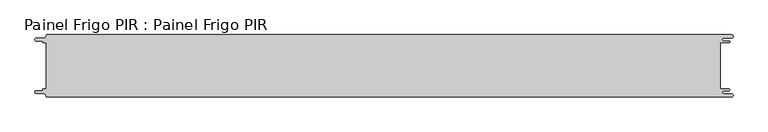
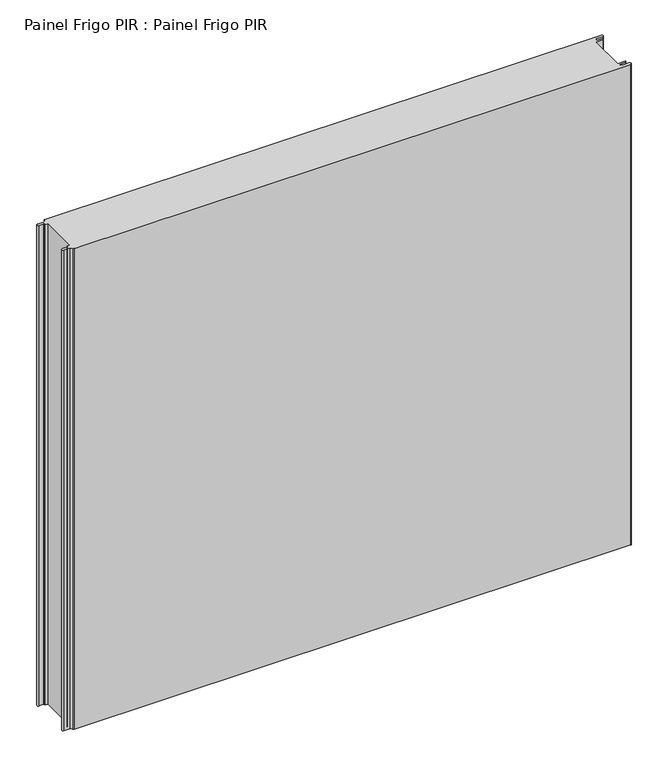
"""IFC4 building model written with IfcOpenShell, lengths in millimetres: proxy geometry, Painel Frigo PIR : Painel Frigo PIR."""

from ifc_helpers import new_model, si_unit, frame, origin, place, context, project, spatial, polyline, circle_curve, source, transform, mapped, element, save
from ifc_brep_helpers import plane_surface, cylinder_surface, revolved_surface, advanced_brep


def painel_frigo_pir_painel_frigo_pir_5bfc62d3(model_context):
    return source(origin(), model_context, "Body", "AdvancedBrep", [
        advanced_brep(
        [(-554.5874998, 37.3, 1000.0), (-549.2999612, 37.3, 1000.0), (-549.2999612, -37.2999995, 1000.0), (-554.5874998, -37.2999995, 1000.0), (-555.1875003, -37.9, 1000.0), (-555.1875003, -38.7085185, 1000.0), (-556.5875003, -40.1085185, 1000.0), (-565.565625, -40.1085185, 1000.0), (-565.565625, -44.5085185, 1000.0), (-553.55, -44.5085185, 1000.0), (-550.0, -48.0585185, 1000.0), (-548.05, -50.0, 1000.0), (546.89375, -50.0, 1000.0), (546.89375, -44.725, 1000.0), (534.45625, -44.725, 1000.0), (534.45625, -39.875, 1000.0), (543.1187503, -39.875, 1000.0), (543.1187503, -37.3, 1000.0), (529.2687503, -37.3, 1000.0), (529.2687503, 37.3, 1000.0), (543.1187503, 37.3, 1000.0), (543.1187503, 39.875, 1000.0), (534.45625, 39.875, 1000.0), (534.45625, 44.725, 1000.0), (546.89375, 44.725, 1000.0), (546.89375, 50.0, 1000.0), (-548.05, 50.0, 1000.0), (-550.0, 48.05, 1000.0), (-553.55, 44.5085185, 1000.0), (-565.565625, 44.5085185, 1000.0), (-565.565625, 40.1085187, 1000.0), (-556.5875001, 40.1085187, 1000.0), (-555.1874998, 38.7085184, 1000.0), (-555.1874998, 37.9, 1000.0), (-554.5874998, 37.3, 0.0), (-555.1874998, 37.9, 0.0), (-555.1874998, 38.7085184, 0.0), (-556.5875001, 40.1085187, 0.0), (-565.565625, 40.1085187, 0.0), (-565.565625, 44.5085185, 0.0), (-553.55, 44.5085185, 0.0), (-550.0, 48.0585185, 0.0), (-548.05, 50.0, 0.0), (546.89375, 50.0, 0.0), (546.89375, 44.725, 0.0), (534.45625, 44.725, 0.0), (534.45625, 39.875, 0.0), (543.1187503, 39.875, 0.0), (543.1187503, 37.3, 0.0), (529.2687503, 37.3, 0.0), (529.2687503, -37.3, 0.0), (543.1187503, -37.3, 0.0), (543.1187503, -39.875, 0.0), (534.45625, -39.875, 0.0), (534.45625, -44.725, 0.0), (546.89375, -44.725, 0.0), (546.89375, -50.0, 0.0), (-548.05, -50.0, 0.0), (-550.0, -48.05, 0.0), (-553.55, -44.5085185, 0.0), (-565.565625, -44.5085185, 0.0), (-565.565625, -40.1085185, 0.0), (-556.5875003, -40.1085185, 0.0), (-555.1875003, -38.7085185, 0.0), (-555.1875003, -37.9, 0.0), (-554.5874998, -37.2999995, 0.0), (-549.2999612, -37.2999995, 0.0), (-549.2999612, 37.3, 0.0)],
        [
            (0, 1),
            (1, 2),
            (2, 3),
            (3, 4, circle_curve(frame((-554.5874998, -37.9, 1000.0), z_axis=(0.0, 0.0, 1.0), x_axis=(1.0, 0.0, 0.0)), 0.6000005)),
            (4, 5),
            (5, 6, circle_curve(frame((-556.5875003, -38.7085185, 1000.0), z_axis=(0.0, 0.0, -1.0), x_axis=(1.0, 0.0, 0.0)), 1.4)),
            (6, 7),
            (7, 8, circle_curve(frame((-565.565625, -42.3085185, 1000.0), z_axis=(0.0, 0.0, 1.0), x_axis=(1.0, 0.0, 0.0)), 2.2)),
            (8, 9),
            (9, 10, circle_curve(frame((-553.55, -48.0585185, 1000.0), z_axis=(0.0, 0.0, -1.0), x_axis=(1.0, 0.0, 0.0)), 3.55)),
            (10, 11, circle_curve(frame((-548.05, -48.05, 1000.0), z_axis=(0.0, 0.0, 1.0), x_axis=(1.0, 0.0, 0.0)), 1.95)),
            (11, 12),
            (12, 13, circle_curve(frame((546.89375, -47.3625, 1000.0), z_axis=(0.0, 0.0, 1.0), x_axis=(1.0, 0.0, 0.0)), 2.6375)),
            (13, 14),
            (14, 15, circle_curve(frame((534.45625, -42.3, 1000.0), z_axis=(0.0, 0.0, -1.0), x_axis=(1.0, 0.0, 0.0)), 2.425)),
            (15, 16),
            (16, 17, circle_curve(frame((543.1187503, -38.5875, 1000.0), z_axis=(0.0, 0.0, 1.0), x_axis=(1.0, 0.0, 0.0)), 1.2875)),
            (17, 18),
            (18, 19),
            (19, 20),
            (20, 21, circle_curve(frame((543.1187503, 38.5875, 1000.0), z_axis=(0.0, 0.0, 1.0), x_axis=(1.0, 0.0, 0.0)), 1.2875)),
            (21, 22),
            (22, 23, circle_curve(frame((534.45625, 42.3, 1000.0), z_axis=(0.0, 0.0, -1.0), x_axis=(1.0, 0.0, 0.0)), 2.425)),
            (23, 24),
            (24, 25, circle_curve(frame((546.89375, 47.3625, 1000.0), z_axis=(0.0, 0.0, 1.0), x_axis=(1.0, 0.0, 0.0)), 2.6375)),
            (25, 26),
            (26, 27, circle_curve(frame((-548.05, 48.05, 1000.0), z_axis=(0.0, 0.0, 1.0), x_axis=(1.0, 0.0, 0.0)), 1.95)),
            (27, 28, circle_curve(frame((-553.55, 48.0585185, 1000.0), z_axis=(0.0, 0.0, -1.0), x_axis=(1.0, 0.0, 0.0)), 3.55)),
            (28, 29),
            (29, 30, circle_curve(frame((-565.565625, 42.3085186, 1000.0), z_axis=(0.0, 0.0, 1.0), x_axis=(1.0, 0.0, 0.0)), 2.1999999)),
            (30, 31),
            (31, 32, circle_curve(frame((-556.5875001, 38.7085184, 1000.0), z_axis=(0.0, 0.0, -1.0), x_axis=(1.0, 0.0, 0.0)), 1.4000003)),
            (32, 33),
            (33, 0, circle_curve(frame((-554.5874998, 37.9, 1000.0), z_axis=(0.0, 0.0, 1.0), x_axis=(1.0, 0.0, 0.0)), 0.6)),
            (34, 35, circle_curve(frame((-554.5874998, 37.9, 0.0), z_axis=(0.0, 0.0, -1.0), x_axis=(1.0, 0.0, 0.0)), 0.6)),
            (35, 36),
            (36, 37, circle_curve(frame((-556.5875001, 38.7085184, 0.0), z_axis=(0.0, 0.0, 1.0), x_axis=(1.0, 0.0, 0.0)), 1.4000003)),
            (37, 38),
            (38, 39, circle_curve(frame((-565.565625, 42.3085186, 0.0), z_axis=(0.0, 0.0, -1.0), x_axis=(1.0, 0.0, 0.0)), 2.1999999)),
            (39, 40),
            (40, 41, circle_curve(frame((-553.55, 48.0585185, 0.0), z_axis=(0.0, 0.0, 1.0), x_axis=(1.0, 0.0, 0.0)), 3.55)),
            (41, 42, circle_curve(frame((-548.05, 48.05, 0.0), z_axis=(0.0, 0.0, -1.0), x_axis=(1.0, 0.0, 0.0)), 1.95)),
            (42, 43),
            (43, 44, circle_curve(frame((546.89375, 47.3625, 0.0), z_axis=(0.0, 0.0, -1.0), x_axis=(1.0, 0.0, 0.0)), 2.6375)),
            (44, 45),
            (45, 46, circle_curve(frame((534.45625, 42.3, 0.0), z_axis=(0.0, 0.0, 1.0), x_axis=(1.0, 0.0, 0.0)), 2.425)),
            (46, 47),
            (47, 48, circle_curve(frame((543.1187503, 38.5875, 0.0), z_axis=(0.0, 0.0, -1.0), x_axis=(1.0, 0.0, 0.0)), 1.2875)),
            (48, 49),
            (49, 50),
            (50, 51),
            (51, 52, circle_curve(frame((543.1187503, -38.5875, 0.0), z_axis=(0.0, 0.0, -1.0), x_axis=(1.0, 0.0, 0.0)), 1.2875)),
            (52, 53),
            (53, 54, circle_curve(frame((534.45625, -42.3, 0.0), z_axis=(0.0, 0.0, 1.0), x_axis=(1.0, 0.0, 0.0)), 2.425)),
            (54, 55),
            (55, 56, circle_curve(frame((546.89375, -47.3625, 0.0), z_axis=(0.0, 0.0, -1.0), x_axis=(1.0, 0.0, 0.0)), 2.6375)),
            (56, 57),
            (57, 58, circle_curve(frame((-548.05, -48.05, 0.0), z_axis=(0.0, 0.0, -1.0), x_axis=(1.0, 0.0, 0.0)), 1.95)),
            (58, 59, circle_curve(frame((-553.55, -48.0585185, 0.0), z_axis=(0.0, 0.0, 1.0), x_axis=(1.0, 0.0, 0.0)), 3.55)),
            (59, 60),
            (60, 61, circle_curve(frame((-565.565625, -42.3085185, 0.0), z_axis=(0.0, 0.0, -1.0), x_axis=(1.0, 0.0, 0.0)), 2.2)),
            (61, 62),
            (62, 63, circle_curve(frame((-556.5875003, -38.7085185, 0.0), z_axis=(0.0, 0.0, 1.0), x_axis=(1.0, 0.0, 0.0)), 1.4)),
            (63, 64),
            (64, 65, circle_curve(frame((-554.5874998, -37.9, 0.0), z_axis=(0.0, 0.0, -1.0), x_axis=(1.0, 0.0, 0.0)), 0.6000005)),
            (65, 66),
            (66, 67),
            (67, 34),
            (0, 34),
            (67, 1),
            (66, 2),
            (65, 3),
            (64, 4),
            (63, 5),
            (62, 6),
            (61, 7),
            (60, 8),
            (59, 9),
            (58, 10),
            (57, 11),
            (56, 12),
            (18, 50),
            (49, 19),
            (48, 20),
            (47, 21),
            (46, 22),
            (45, 23),
            (44, 24),
            (43, 25),
            (42, 26),
            (41, 27),
            (40, 28),
            (39, 29),
            (38, 30),
            (37, 31),
            (36, 32),
            (35, 33),
            (55, 13),
            (54, 14),
            (53, 15),
            (52, 16),
            (51, 17),
        ],
        [
            plane_surface(frame((-549.2999612, 37.3, 1000.0), z_axis=(0.0, 0.0, 1.0), x_axis=(1.0, 0.0, 0.0))),
            plane_surface(frame((-549.2999612, 37.3, 0.0), z_axis=(0.0, 0.0, -1.0), x_axis=(-1.0, 0.0, 0.0))),
            plane_surface(frame((-554.5874998, 37.3, 1000.0), z_axis=(0.0, -1.0, 0.0), x_axis=(0.0, 0.0, -1.0))),
            plane_surface(frame((-549.2999612, 37.3, 1000.0), z_axis=(-1.0, 0.0, 0.0), x_axis=(0.0, 0.0, -1.0))),
            plane_surface(frame((-549.2999612, -37.2999995, 1000.0), z_axis=(0.0, 1.0, 0.0), x_axis=(0.0, 0.0, -1.0))),
            cylinder_surface(frame((-554.5874998, -37.9, 0.0), z_axis=(0.0, 0.0, 1.0), x_axis=(1.0, 0.0, 0.0)), 0.6000005),
            plane_surface(frame((-555.1875003, -37.9, 1000.0), z_axis=(-1.0, 1.757860866232943e-12, 0.0), x_axis=(0.0, 0.0, -1.0))),
            revolved_surface(polyline([(-555.1875003, -38.7085185, 0.0), (-555.1875003, -38.7085185, 1000.0)]), (-556.5875003, -38.7085185, 0.0), (0.0, 0.0, -1.0)),
            plane_surface(frame((-556.5875003, -40.1085185, 1000.0), z_axis=(0.0, 1.0, 0.0), x_axis=(0.0, 0.0, -1.0))),
            cylinder_surface(frame((-565.565625, -42.3085185, 0.0), z_axis=(0.0, 0.0, 1.0), x_axis=(1.0, 0.0, 0.0)), 2.2),
            plane_surface(frame((-565.565625, -44.5085185, 1000.0), z_axis=(0.0, -1.0, 0.0), x_axis=(0.0, 0.0, -1.0))),
            revolved_surface(polyline([(-550.0, -48.0585185, 0.0), (-550.0, -48.0585185, 1000.0)]), (-553.55, -48.0585185, 0.0), (0.0, 0.0, -1.0)),
            cylinder_surface(frame((-548.05, -48.05, 0.0), z_axis=(0.0, 0.0, 1.0), x_axis=(1.0, 0.0, 0.0)), 1.95),
            plane_surface(frame((-548.05, -50.0, 1000.0), z_axis=(0.0, -1.0, 0.0), x_axis=(0.0, 0.0, -1.0))),
            plane_surface(frame((529.2687503, -37.3, 1000.0), z_axis=(1.0, 0.0, 0.0), x_axis=(0.0, 0.0, -1.0))),
            plane_surface(frame((529.2687503, 37.3, 1000.0), z_axis=(0.0, -1.0, 0.0), x_axis=(0.0, 0.0, -1.0))),
            cylinder_surface(frame((543.1187503, 38.5875, 0.0), z_axis=(0.0, 0.0, 1.0), x_axis=(1.0, 0.0, 0.0)), 1.2875),
            plane_surface(frame((543.1187503, 39.875, 1000.0), z_axis=(0.0, 1.0, 0.0), x_axis=(0.0, 0.0, -1.0))),
            revolved_surface(polyline([(536.8812499999999, 42.3, 0.0), (536.8812499999999, 42.3, 1000.0)]), (534.45625, 42.3, 0.0), (0.0, 0.0, -1.0)),
            plane_surface(frame((534.45625, 44.725, 1000.0), z_axis=(0.0, -1.0, 0.0), x_axis=(0.0, 0.0, -1.0))),
            cylinder_surface(frame((546.89375, 47.3625, 0.0), z_axis=(0.0, 0.0, 1.0), x_axis=(1.0, 0.0, 0.0)), 2.6375),
            plane_surface(frame((546.89375, 50.0, 1000.0), z_axis=(0.0, 1.0, 0.0), x_axis=(0.0, 0.0, -1.0))),
            cylinder_surface(frame((-548.05, 48.05, 0.0), z_axis=(0.0, 0.0, 1.0), x_axis=(1.0, 0.0, 0.0)), 1.95),
            revolved_surface(polyline([(-550.0, 48.0585185, 0.0), (-550.0, 48.0585185, 1000.0)]), (-553.55, 48.0585185, 0.0), (0.0, 0.0, -1.0)),
            plane_surface(frame((-553.55, 44.5085185, 1000.0), z_axis=(0.0, 1.0, 0.0), x_axis=(0.0, 0.0, -1.0))),
            cylinder_surface(frame((-565.565625, 42.3085186, 0.0), z_axis=(0.0, 0.0, 1.0), x_axis=(1.0, 0.0, 0.0)), 2.1999999),
            plane_surface(frame((-565.565625, 40.1085187, 1000.0), z_axis=(0.0, -1.0, 0.0), x_axis=(0.0, 0.0, -1.0))),
            revolved_surface(polyline([(-555.1874998000001, 38.7085184, 0.0), (-555.1874998000001, 38.7085184, 1000.0)]), (-556.5875001, 38.7085184, 0.0), (0.0, 0.0, -1.0)),
            plane_surface(frame((-555.1874998, 38.7085184, 1000.0), z_axis=(-1.0, 0.0, 0.0), x_axis=(0.0, 0.0, -1.0))),
            cylinder_surface(frame((-554.5874998, 37.9, 0.0), z_axis=(0.0, 0.0, 1.0), x_axis=(1.0, 0.0, 0.0)), 0.6),
            cylinder_surface(frame((546.89375, -47.3625, 0.0), z_axis=(0.0, 0.0, 1.0), x_axis=(1.0, 0.0, 0.0)), 2.6375),
            plane_surface(frame((546.89375, -44.725, 1000.0), z_axis=(0.0, 1.0, 0.0), x_axis=(0.0, 0.0, -1.0))),
            revolved_surface(polyline([(536.8812499999999, -42.3, 0.0), (536.8812499999999, -42.3, 1000.0)]), (534.45625, -42.3, 0.0), (0.0, 0.0, -1.0)),
            plane_surface(frame((534.45625, -39.875, 1000.0), z_axis=(0.0, -1.0, 0.0), x_axis=(0.0, 0.0, -1.0))),
            cylinder_surface(frame((543.1187503, -38.5875, 0.0), z_axis=(0.0, 0.0, 1.0), x_axis=(1.0, 0.0, 0.0)), 1.2875),
            plane_surface(frame((543.1187503, -37.3, 1000.0), z_axis=(0.0, 1.0, 0.0), x_axis=(0.0, 0.0, -1.0))),
        ],
        [
            (0, [[1, 2, 3, 4, 5, 6, 7, 8, 9, 10, 11, 12, 13, 14, 15, 16, 17, 18, 19, 20, 21, 22, 23, 24, 25, 26, 27, 28, 29, 30, 31, 32, 33, 34]]),
            (1, [[35, 36, 37, 38, 39, 40, 41, 42, 43, 44, 45, 46, 47, 48, 49, 50, 51, 52, 53, 54, 55, 56, 57, 58, 59, 60, 61, 62, 63, 64, 65, 66, 67, 68]]),
            (2, [[-1, 69, -68, 70]]),
            (3, [[-2, -70, -67, 71]]),
            (4, [[-3, -71, -66, 72]]),
            (5, [[-4, -72, -65, 73]]),
            (6, [[-5, -73, -64, 74]]),
            (7, [[-6, -74, -63, 75]]),
            (8, [[-7, -75, -62, 76]]),
            (9, [[-8, -76, -61, 77]]),
            (10, [[-9, -77, -60, 78]]),
            (11, [[-10, -78, -59, 79]]),
            (12, [[-11, -79, -58, 80]]),
            (13, [[-12, -80, -57, 81]]),
            (14, [[-19, 82, -50, 83]]),
            (15, [[-20, -83, -49, 84]]),
            (16, [[-21, -84, -48, 85]]),
            (17, [[-22, -85, -47, 86]]),
            (18, [[-23, -86, -46, 87]]),
            (19, [[-24, -87, -45, 88]]),
            (20, [[-25, -88, -44, 89]]),
            (21, [[-26, -89, -43, 90]]),
            (22, [[-27, -90, -42, 91]]),
            (23, [[-28, -91, -41, 92]]),
            (24, [[-29, -92, -40, 93]]),
            (25, [[-30, -93, -39, 94]]),
            (26, [[-31, -94, -38, 95]]),
            (27, [[-32, -95, -37, 96]]),
            (28, [[-33, -96, -36, 97]]),
            (29, [[-34, -97, -35, -69]]),
            (30, [[-13, -81, -56, 98]]),
            (31, [[-14, -98, -55, 99]]),
            (32, [[-15, -99, -54, 100]]),
            (33, [[-16, -100, -53, 101]]),
            (34, [[-17, -101, -52, 102]]),
            (35, [[-18, -102, -51, -82]]),
        ],
    ),
    ])


if __name__ == "__main__":
    model = new_model("IFC4")
    model_context = context("Model", 3, world=origin())
    ifc_project = project(units=[si_unit("LENGTHUNIT", "METRE", prefix="MILLI")], contexts=[model_context])
    site = spatial("IfcSite", under=ifc_project)
    building = spatial("IfcBuilding", under=site)
    placement = place(None, origin())
    painel_frigo_pir_painel_frigo_pir_shape = painel_frigo_pir_painel_frigo_pir_5bfc62d3(model_context)
    element("IfcBuildingElementProxy", 1, Name="Painel Frigo PIR : Painel Frigo PIR", ObjectType="Painel Frigo PIR : Painel Frigo PIR", at=placement, inside=building, context=model_context, shape_type="MappedRepresentation", body=[
        mapped(painel_frigo_pir_painel_frigo_pir_shape, transform((0.0, 0.0, 0.0), x_axis=(1.0, 0.0, 0.0), y_axis=(0.0, 1.0, 0.0), z_axis=(0.0, 0.0, 1.0))),
    ])
    save(model, "model.ifc")
